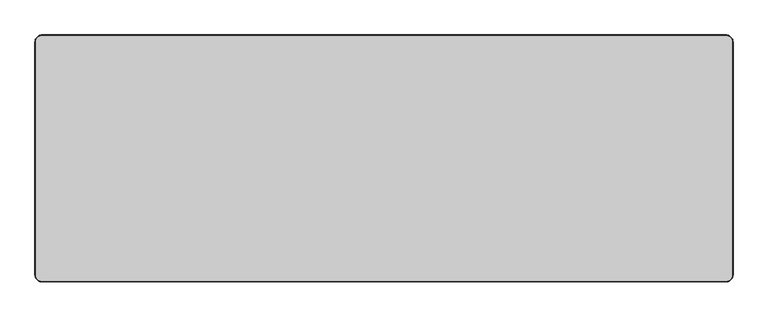
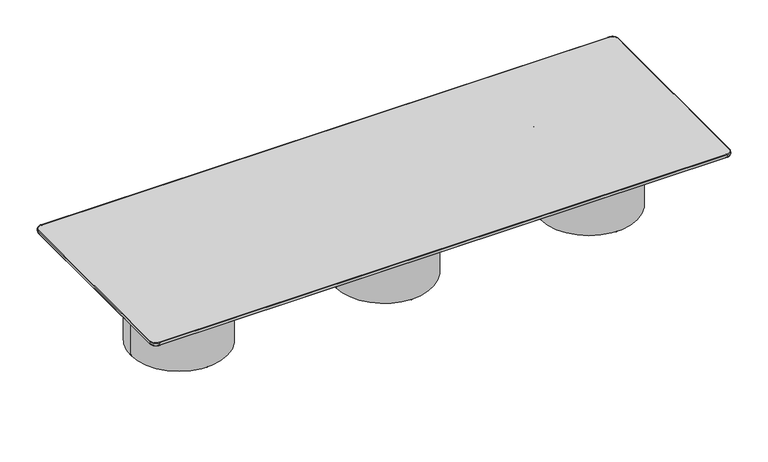
"""IFC4 building model written with IfcOpenShell, lengths in millimetres: furniture geometry."""

from ifc_helpers import new_model, si_unit, point, frame, frame_2d, origin, origin_with_axes, origin_2d, place, context, project, spatial, circle_curve, ellipse_curve, trimmed, segment, composite_curve, outline, extrude, source, transform, mapped, element, save
from ifc_brep_helpers import plane_surface, cylinder_surface, revolved_surface, advanced_brep


def furniture_71ee2c79(model_context):
    return source(origin(), model_context, "Body", "SolidModel", [
        extrude(outline(composite_curve([segment(trimmed(circle_curve(frame_2d((1305.1634542, 0.0)), 6.4), [point((1298.7634542, 0.0))], [point((1311.5634542, 0.0))], False, "CARTESIAN"), True, "CONTINUOUS"), segment(trimmed(circle_curve(frame_2d((1305.1634542, 0.0)), 6.4), [point((1311.5634542, 0.0))], [point((1298.7634542, 0.0))], False, "CARTESIAN"), True, "CONTINUOUS")], self_intersect=False)), origin_with_axes(), (0.0, 0.0, 1.0), 4.8896843),
        extrude(outline(composite_curve([segment(trimmed(circle_curve(frame_2d((1695.1634542, 389.1067566)), 6.4), [point((1701.5634542, 389.1067566))], [point((1688.7634542, 389.1067566))], False, "CARTESIAN"), True, "CONTINUOUS"), segment(trimmed(circle_curve(frame_2d((1695.1634542, 389.1067566)), 6.4), [point((1688.7634542, 389.1067566))], [point((1701.5634542, 389.1067566))], False, "CARTESIAN"), True, "CONTINUOUS")], self_intersect=False)), origin_with_axes(), (0.0, 0.0, 1.0), 4.8896843),
        extrude(outline(composite_curve([segment(trimmed(circle_curve(frame_2d((2083.7987151, 0.0)), 6.4), [point((2090.1987151, 0.0))], [point((2077.3987151, 0.0))], False, "CARTESIAN"), True, "CONTINUOUS"), segment(trimmed(circle_curve(frame_2d((2083.7987151, 0.0)), 6.4), [point((2077.3987151, 0.0))], [point((2090.1987151, 0.0))], False, "CARTESIAN"), True, "CONTINUOUS")], self_intersect=False)), origin_with_axes(), (0.0, 0.0, 1.0), 4.8896843),
        extrude(outline(composite_curve([segment(trimmed(circle_curve(frame_2d((1695.1634542, -389.1067566)), 6.4), [point((1701.5634542, -389.1067566))], [point((1688.7634542, -389.1067566))], False, "CARTESIAN"), True, "CONTINUOUS"), segment(trimmed(circle_curve(frame_2d((1695.1634542, -389.1067566)), 6.4), [point((1688.7634542, -389.1067566))], [point((1701.5634542, -389.1067566))], False, "CARTESIAN"), True, "CONTINUOUS")], self_intersect=False)), origin_with_axes(), (0.0, 0.0, 1.0), 4.8896843),
        extrude(outline(composite_curve([segment(trimmed(circle_curve(frame_2d((-2084.2158079, 0.0)), 6.4), [point((-2090.6158079, 0.0))], [point((-2077.8158079, 0.0))], False, "CARTESIAN"), True, "CONTINUOUS"), segment(trimmed(circle_curve(frame_2d((-2084.2158079, 0.0)), 6.4), [point((-2077.8158079, 0.0))], [point((-2090.6158079, 0.0))], False, "CARTESIAN"), True, "CONTINUOUS")], self_intersect=False)), origin_with_axes(), (0.0, 0.0, 1.0), 4.8896843),
        extrude(outline(composite_curve([segment(trimmed(circle_curve(frame_2d((-1694.2158079, 389.1067566)), 6.4), [point((-1687.8158079, 389.1067566))], [point((-1700.6158079, 389.1067566))], False, "CARTESIAN"), True, "CONTINUOUS"), segment(trimmed(circle_curve(frame_2d((-1694.2158079, 389.1067566)), 6.4), [point((-1700.6158079, 389.1067566))], [point((-1687.8158079, 389.1067566))], False, "CARTESIAN"), True, "CONTINUOUS")], self_intersect=False)), origin_with_axes(), (0.0, 0.0, 1.0), 4.8896843),
        extrude(outline(composite_curve([segment(trimmed(circle_curve(frame_2d((-1305.580547, 0.0)), 6.4), [point((-1299.180547, 0.0))], [point((-1311.980547, 0.0))], False, "CARTESIAN"), True, "CONTINUOUS"), segment(trimmed(circle_curve(frame_2d((-1305.580547, 0.0)), 6.4), [point((-1311.980547, 0.0))], [point((-1299.180547, 0.0))], False, "CARTESIAN"), True, "CONTINUOUS")], self_intersect=False)), origin_with_axes(), (0.0, 0.0, 1.0), 4.8896843),
        extrude(outline(composite_curve([segment(trimmed(circle_curve(frame_2d((-1694.2158079, -389.1067566)), 6.4), [point((-1687.8158079, -389.1067566))], [point((-1700.6158079, -389.1067566))], False, "CARTESIAN"), True, "CONTINUOUS"), segment(trimmed(circle_curve(frame_2d((-1694.2158079, -389.1067566)), 6.4), [point((-1700.6158079, -389.1067566))], [point((-1687.8158079, -389.1067566))], False, "CARTESIAN"), True, "CONTINUOUS")], self_intersect=False)), origin_with_axes(), (0.0, 0.0, 1.0), 4.8896843),
        extrude(outline(composite_curve([segment(trimmed(circle_curve(frame_2d((-389.3176304, 0.0)), 6.4), [point((-395.7176304, 0.0))], [point((-382.9176304, 0.0))], False, "CARTESIAN"), True, "CONTINUOUS"), segment(trimmed(circle_curve(frame_2d((-389.3176304, 0.0)), 6.4), [point((-382.9176304, 0.0))], [point((-395.7176304, 0.0))], False, "CARTESIAN"), True, "CONTINUOUS")], self_intersect=False)), origin_with_axes(), (0.0, 0.0, 1.0), 4.8896843),
        extrude(outline(composite_curve([segment(trimmed(circle_curve(frame_2d((0.6823696, 389.1067566)), 6.4), [point((7.0823696, 389.1067566))], [point((-5.7176304, 389.1067566))], False, "CARTESIAN"), True, "CONTINUOUS"), segment(trimmed(circle_curve(frame_2d((0.6823696, 389.1067566)), 6.4), [point((-5.7176304, 389.1067566))], [point((7.0823696, 389.1067566))], False, "CARTESIAN"), True, "CONTINUOUS")], self_intersect=False)), origin_with_axes(), (0.0, 0.0, 1.0), 4.8896843),
        extrude(outline(composite_curve([segment(trimmed(circle_curve(frame_2d((389.3176304, 0.0)), 6.4), [point((395.7176304, 0.0))], [point((382.9176304, 0.0))], False, "CARTESIAN"), True, "CONTINUOUS"), segment(trimmed(circle_curve(frame_2d((389.3176304, 0.0)), 6.4), [point((382.9176304, 0.0))], [point((395.7176304, 0.0))], False, "CARTESIAN"), True, "CONTINUOUS")], self_intersect=False)), origin_with_axes(), (0.0, 0.0, 1.0), 4.8896843),
        extrude(outline(composite_curve([segment(trimmed(circle_curve(frame_2d((0.6823696, -389.1067566)), 6.4), [point((7.0823696, -389.1067566))], [point((-5.7176304, -389.1067566))], False, "CARTESIAN"), True, "CONTINUOUS"), segment(trimmed(circle_curve(frame_2d((0.6823696, -389.1067566)), 6.4), [point((-5.7176304, -389.1067566))], [point((7.0823696, -389.1067566))], False, "CARTESIAN"), True, "CONTINUOUS")], self_intersect=False)), origin_with_axes(), (0.0, 0.0, 1.0), 4.8896843),
        extrude(outline(composite_curve([segment(trimmed(circle_curve(origin_2d(), 399.0911416), [point((-399.0911416, 0.0))], [point((399.0911416, 0.0))], False, "CARTESIAN"), True, "CONTINUOUS"), segment(trimmed(circle_curve(origin_2d(), 399.0911416), [point((399.0911416, 0.0))], [point((-399.0911416, 0.0))], False, "CARTESIAN"), True, "CONTINUOUS")], self_intersect=False), holes=[composite_curve([segment(trimmed(circle_curve(origin_2d(), 380.0), [point((-380.0, 0.0))], [point((380.0, 0.0))], True, "CARTESIAN"), True, "CONTINUOUS"), segment(trimmed(circle_curve(origin_2d(), 380.0), [point((380.0, 0.0))], [point((-380.0, 0.0))], True, "CARTESIAN"), True, "CONTINUOUS")], self_intersect=False)]), frame((0.0, 0.0, 4.8896843), z_axis=(0.0, 0.0, 1.0), x_axis=(1.0, 0.0, 0.0)), (0.0, 0.0, 1.0), 682.9447883),
        extrude(outline(composite_curve([segment(trimmed(circle_curve(frame_2d((1694.4810847, 0.0)), 399.0911416), [point((1295.3899431, 0.0))], [point((2093.5722262, 0.0))], False, "CARTESIAN"), True, "CONTINUOUS"), segment(trimmed(circle_curve(frame_2d((1694.4810847, 0.0)), 399.0911416), [point((2093.5722262, 0.0))], [point((1295.3899431, 0.0))], False, "CARTESIAN"), True, "CONTINUOUS")], self_intersect=False), holes=[composite_curve([segment(trimmed(circle_curve(frame_2d((1694.4810847, 0.0)), 380.0), [point((1314.4810847, 0.0))], [point((2074.4810847, 0.0))], True, "CARTESIAN"), True, "CONTINUOUS"), segment(trimmed(circle_curve(frame_2d((1694.4810847, 0.0)), 380.0), [point((2074.4810847, 0.0))], [point((1314.4810847, 0.0))], True, "CARTESIAN"), True, "CONTINUOUS")], self_intersect=False)]), frame((0.0, 0.0, 4.8896843), z_axis=(0.0, 0.0, 1.0), x_axis=(1.0, 0.0, 0.0)), (0.0, 0.0, 1.0), 682.9447883),
        extrude(outline(composite_curve([segment(trimmed(circle_curve(frame_2d((-1694.8981774, 0.0)), 399.0911416), [point((-2093.989319, 0.0))], [point((-1295.8070359, 0.0))], False, "CARTESIAN"), True, "CONTINUOUS"), segment(trimmed(circle_curve(frame_2d((-1694.8981774, 0.0)), 399.0911416), [point((-1295.8070359, 0.0))], [point((-2093.989319, 0.0))], False, "CARTESIAN"), True, "CONTINUOUS")], self_intersect=False), holes=[composite_curve([segment(trimmed(circle_curve(frame_2d((-1694.8981774, 0.0)), 380.0), [point((-2074.8981774, 0.0))], [point((-1314.8981774, 0.0))], True, "CARTESIAN"), True, "CONTINUOUS"), segment(trimmed(circle_curve(frame_2d((-1694.8981774, 0.0)), 380.0), [point((-1314.8981774, 0.0))], [point((-2074.8981774, 0.0))], True, "CARTESIAN"), True, "CONTINUOUS")], self_intersect=False)]), frame((0.0, 0.0, 4.8896843), z_axis=(0.0, 0.0, 1.0), x_axis=(1.0, 0.0, 0.0)), (0.0, 0.0, 1.0), 682.9447883),
        advanced_brep(
        [(-2346.6238792, 846.0174596, 719.875), (-2394.6238792, 798.0174596, 719.875), (-2394.6238792, -798.0178454, 719.875), (-2346.6238792, -846.0178454, 719.875), (2346.6240469, -846.0178454, 719.875), (2394.6237214, -798.0181709, 719.875), (2394.6237214, 798.0174596, 719.875), (2346.6237214, 846.0174596, 719.875), (2346.6237214, 846.0174596, 695.5), (2394.6237214, 798.0174596, 695.5), (2394.6237214, -798.0181709, 695.5), (2346.6240469, -846.0178454, 695.5), (-2346.6238792, -846.0178454, 695.5), (-2394.6238792, -798.0178454, 695.5), (-2394.6238792, 798.0174596, 695.5), (-2346.6238792, 846.0174596, 695.5), (-2346.6238792, 848.0174596, 717.875), (2346.6237214, 848.0174596, 717.875), (2346.6237214, 848.0174596, 697.4999984), (-2346.6238792, 848.0174596, 697.5), (-2396.6238792, 798.0174596, 717.875), (-2396.6238792, 798.0174596, 697.5), (-2396.6238792, -798.0178454, 717.875), (-2396.6238792, -798.0178454, 697.5), (-2346.6238792, -848.0178454, 717.875), (-2346.6238792, -848.0178454, 697.5), (2346.6240469, -848.0178454, 717.875), (2346.6240469, -848.0178454, 697.5), (2396.6237214, -798.0181709, 717.875), (2396.6237214, -798.0181709, 697.5), (2396.6237214, 798.0174596, 717.875), (2396.6237214, 798.0174596, 697.5)],
        [
            (0, 1, circle_curve(frame((-2346.6238792, 798.0174596, 719.875), z_axis=(0.0, 0.0, 1.0), x_axis=(0.0, 1.0, 0.0)), 48.0)),
            (1, 2),
            (2, 3, circle_curve(frame((-2346.6238792, -798.0178454, 719.875), z_axis=(0.0, 0.0, 1.0), x_axis=(-1.0, 0.0, 0.0)), 48.0)),
            (3, 4),
            (4, 5, circle_curve(frame((2346.6240469, -798.0181709, 719.875), z_axis=(0.0, 0.0, 1.0), x_axis=(0.0, -1.0, 0.0)), 47.9996745)),
            (5, 6),
            (6, 7, circle_curve(frame((2346.6237214, 798.0174596, 719.875), z_axis=(0.0, 0.0, 1.0), x_axis=(1.0, 0.0, 0.0)), 48.0)),
            (7, 0),
            (8, 9, circle_curve(frame((2346.6237214, 798.0174596, 695.5), z_axis=(0.0, 0.0, -1.0), x_axis=(0.0, 1.0, 0.0)), 48.0)),
            (9, 10),
            (10, 11, circle_curve(frame((2346.6240469, -798.0181709, 695.5), z_axis=(0.0, 0.0, -1.0), x_axis=(1.0, 0.0, 0.0)), 47.9996745)),
            (11, 12),
            (12, 13, circle_curve(frame((-2346.6238792, -798.0178454, 695.5), z_axis=(0.0, 0.0, -1.0), x_axis=(0.0, -1.0, 0.0)), 48.0)),
            (13, 14),
            (14, 15, circle_curve(frame((-2346.6238792, 798.0174596, 695.5), z_axis=(0.0, 0.0, -1.0), x_axis=(-1.0, 0.0, 0.0)), 48.0)),
            (15, 8),
            (16, 17),
            (17, 18),
            (18, 19),
            (19, 16),
            (20, 16, circle_curve(frame((-2346.6238792, 798.0174596, 717.875), z_axis=(0.0, 0.0, -1.0), x_axis=(1.0, 0.0, 0.0)), 50.0)),
            (19, 21, circle_curve(frame((-2346.6238792, 798.0174596, 697.5), z_axis=(0.0, 0.0, 1.0), x_axis=(1.0, 0.0, 0.0)), 50.0)),
            (21, 20),
            (22, 20),
            (21, 23),
            (23, 22),
            (24, 22, circle_curve(frame((-2346.6238792, -798.0178454, 717.875), z_axis=(0.0, 0.0, -1.0), x_axis=(1.0, 0.0, 0.0)), 50.0)),
            (23, 25, circle_curve(frame((-2346.6238792, -798.0178454, 697.5), z_axis=(0.0, 0.0, 1.0), x_axis=(1.0, 0.0, 0.0)), 50.0)),
            (25, 24),
            (26, 24),
            (25, 27),
            (27, 26),
            (28, 26, circle_curve(frame((2346.6240469, -798.0181709, 717.875), z_axis=(0.0, 0.0, -1.0), x_axis=(1.0, 0.0, 0.0)), 49.9996745)),
            (27, 29, circle_curve(frame((2346.6240469, -798.0181709, 697.5), z_axis=(0.0, 0.0, 1.0), x_axis=(1.0, 0.0, 0.0)), 49.9996745)),
            (29, 28),
            (30, 28),
            (29, 31),
            (31, 30),
            (17, 30, circle_curve(frame((2346.6237214, 798.0174596, 717.875), z_axis=(0.0, 0.0, -1.0), x_axis=(1.0, 0.0, 0.0)), 50.0)),
            (31, 18, circle_curve(frame((2346.6237214, 798.0174596, 697.5), z_axis=(0.0, 0.0, 1.0), x_axis=(1.0, 0.0, 0.0)), 50.0)),
            (20, 1, circle_curve(frame((-2394.6238792, 798.0174596, 717.875), z_axis=(0.0, 1.0, 0.0), x_axis=(1.0, 0.0, 0.0)), 2.0)),
            (0, 16, circle_curve(frame((-2346.6238792, 846.0174596, 717.875), z_axis=(-1.0, 0.0, 0.0), x_axis=(0.0, -1.0, 0.0)), 2.0)),
            (22, 2, circle_curve(frame((-2394.6238792, -798.0178454, 717.875), z_axis=(0.0, 1.0, 0.0), x_axis=(1.0, 0.0, 0.0)), 2.0)),
            (24, 3, circle_curve(frame((-2346.6238792, -846.0178454, 717.875), z_axis=(-1.0, 0.0, 0.0), x_axis=(0.0, 1.0, 0.0)), 2.0)),
            (26, 4, circle_curve(frame((2346.6240469, -846.0178454, 717.875), z_axis=(-1.0, 0.0, 0.0), x_axis=(0.0, 1.0, 0.0)), 2.0)),
            (28, 5, circle_curve(frame((2394.6237214, -798.0181709, 717.875), z_axis=(0.0, -1.0, 0.0), x_axis=(-1.0, 0.0, 0.0)), 2.0)),
            (30, 6, circle_curve(frame((2394.6237214, 798.0174596, 717.875), z_axis=(0.0, -1.0, 0.0), x_axis=(-1.0, 0.0, 0.0)), 2.0)),
            (17, 7, circle_curve(frame((2346.6237214, 846.0174596, 717.875), z_axis=(1.0, 0.0, 0.0), x_axis=(0.0, -1.0, 0.0)), 2.0)),
            (31, 9, circle_curve(frame((2394.6237214, 798.0174596, 697.5), z_axis=(0.0, 1.0, 0.0), x_axis=(-1.0, 0.0, 0.0)), 2.0)),
            (8, 18, circle_curve(frame((2346.6237214, 846.0174596, 697.5), z_axis=(1.0, 0.0, 0.0), x_axis=(0.0, -1.0, 0.0)), 2.0)),
            (29, 10, circle_curve(frame((2394.6237214, -798.0181709, 697.5), z_axis=(0.0, 1.0, 0.0), x_axis=(-1.0, 0.0, 0.0)), 2.0)),
            (27, 11, circle_curve(frame((2346.6240469, -846.0178454, 697.5), z_axis=(1.0, 0.0, 0.0), x_axis=(0.0, 1.0, 0.0)), 2.0)),
            (25, 12, circle_curve(frame((-2346.6238792, -846.0178454, 697.5), z_axis=(1.0, 0.0, 0.0), x_axis=(0.0, 1.0, 0.0)), 2.0)),
            (23, 13, circle_curve(frame((-2394.6238792, -798.0178454, 697.5), z_axis=(0.0, -1.0, 0.0), x_axis=(1.0, 0.0, 0.0)), 2.0)),
            (21, 14, circle_curve(frame((-2394.6238792, 798.0174596, 697.5), z_axis=(0.0, -1.0, 0.0), x_axis=(1.0, 0.0, 0.0)), 2.0)),
            (19, 15, circle_curve(frame((-2346.6238792, 846.0174596, 697.5), z_axis=(-1.0, 0.0, 0.0), x_axis=(0.0, -1.0, 0.0)), 2.0)),
        ],
        [
            plane_surface(frame((-2346.6238792, 848.0174596, 719.875), z_axis=(0.0, 0.0, 1.0), x_axis=(-1.0, 0.0, 0.0))),
            plane_surface(frame((-2346.6238792, 848.0174596, 695.5), z_axis=(0.0, 0.0, -1.0), x_axis=(1.0, 0.0, 0.0))),
            plane_surface(frame((2346.6237214, 848.0174596, 719.875), z_axis=(0.0, 1.0, 0.0), x_axis=(0.0, 0.0, -1.0))),
            cylinder_surface(frame((-2346.6238792, 798.0174596, 695.5), z_axis=(0.0, 0.0, 1.0), x_axis=(1.0, 0.0, 0.0)), 50.0),
            plane_surface(frame((-2396.6238792, 798.0174596, 719.875), z_axis=(-1.0, 0.0, 0.0), x_axis=(0.0, 0.0, -1.0))),
            cylinder_surface(frame((-2346.6238792, -798.0178454, 695.5), z_axis=(0.0, 0.0, 1.0), x_axis=(1.0, 0.0, 0.0)), 50.0),
            plane_surface(frame((-2346.6238792, -848.0178454, 719.875), z_axis=(0.0, -1.0, 0.0), x_axis=(0.0, 0.0, -1.0))),
            cylinder_surface(frame((2346.6240469, -798.0181709, 695.5), z_axis=(0.0, 0.0, 1.0), x_axis=(1.0, 0.0, 0.0)), 49.9996745),
            plane_surface(frame((2396.6237214, -798.0181709, 719.875), z_axis=(1.0, 0.0, 0.0), x_axis=(0.0, 0.0, -1.0))),
            cylinder_surface(frame((2346.6237214, 798.0174596, 695.5), z_axis=(0.0, 0.0, 1.0), x_axis=(1.0, 0.0, 0.0)), 50.0),
            revolved_surface(trimmed(ellipse_curve(frame((-2346.6238792, 846.0174596, 717.875), z_axis=(1.0, 0.0, 0.0), x_axis=(0.0, -1.0, 0.0)), 2.0, 2.0), [point((-2346.6238792, 848.0174596, 717.875))], [point((-2346.6238792, 846.0174596, 719.875))], True, "CARTESIAN"), (-2346.6238792, 798.0174596, 719.875), (0.0, 0.0, 1.0)),
            cylinder_surface(frame((-2394.6238792, 798.0174596, 717.875), z_axis=(0.0, -1.0, 0.0), x_axis=(1.0, 0.0, 0.0)), 2.0),
            revolved_surface(trimmed(ellipse_curve(frame((-2394.6238792, -798.0178454, 717.875), z_axis=(0.0, 1.0, 0.0), x_axis=(1.0, 0.0, 0.0)), 2.0, 2.0), [point((-2396.6238792, -798.0178454, 717.875))], [point((-2394.6238792, -798.0178454, 719.875))], True, "CARTESIAN"), (-2346.6238792, -798.0178454, 719.875), (0.0, 0.0, 1.0)),
            cylinder_surface(frame((-2346.6238792, -846.0178454, 717.875), z_axis=(1.0, 0.0, 0.0), x_axis=(0.0, 1.0, 0.0)), 2.0),
            revolved_surface(trimmed(ellipse_curve(frame((2346.6240469, -846.0178454, 717.875), z_axis=(-1.0, 0.0, 0.0), x_axis=(0.0, 1.0, 0.0)), 2.0, 2.0), [point((2346.6240469, -848.0178454, 717.875))], [point((2346.6240469, -846.0178454, 719.875))], True, "CARTESIAN"), (2346.6240469, -798.0181709, 719.875), (0.0, 0.0, 1.0)),
            cylinder_surface(frame((2394.6237214, -798.0181709, 717.875), z_axis=(0.0, 1.0, 0.0), x_axis=(-1.0, 0.0, 0.0)), 2.0),
            revolved_surface(trimmed(ellipse_curve(frame((2394.6237214, 798.0174596, 717.875), z_axis=(0.0, -1.0, 0.0), x_axis=(-1.0, 0.0, 0.0)), 2.0, 2.0), [point((2396.6237214, 798.0174596, 717.875))], [point((2394.6237214, 798.0174596, 719.875))], True, "CARTESIAN"), (2346.6237214, 798.0174596, 719.875), (0.0, 0.0, 1.0)),
            cylinder_surface(frame((2346.6237214, 846.0174596, 717.875), z_axis=(-1.0, 0.0, 0.0), x_axis=(0.0, -1.0, 0.0)), 2.0),
            revolved_surface(trimmed(ellipse_curve(frame((2346.6237214, 846.0174596, 697.5), z_axis=(-1.0, 0.0, 0.0), x_axis=(0.0, -1.0, 0.0)), 2.0, 2.0), [point((2346.6237214, 848.0174596, 697.5))], [point((2346.6237214, 846.0174596, 695.5))], True, "CARTESIAN"), (2346.6237214, 798.0174596, 695.5), (0.0, 0.0, -1.0)),
            cylinder_surface(frame((2394.6237214, 798.0174596, 697.5), z_axis=(0.0, -1.0, 0.0), x_axis=(-1.0, 0.0, 0.0)), 2.0),
            revolved_surface(trimmed(ellipse_curve(frame((2394.6237214, -798.0181709, 697.5), z_axis=(0.0, 1.0, 0.0), x_axis=(-1.0, 0.0, 0.0)), 2.0, 2.0), [point((2396.6237214, -798.0181709, 697.5))], [point((2394.6237214, -798.0181709, 695.5))], True, "CARTESIAN"), (2346.6240469, -798.0181709, 695.5), (0.0, 0.0, -1.0)),
            cylinder_surface(frame((2346.6240469, -846.0178454, 697.5), z_axis=(-1.0, 0.0, 0.0), x_axis=(0.0, 1.0, 0.0)), 2.0),
            revolved_surface(trimmed(ellipse_curve(frame((-2346.6238792, -846.0178454, 697.5), z_axis=(1.0, 0.0, 0.0), x_axis=(0.0, 1.0, 0.0)), 2.0, 2.0), [point((-2346.6238792, -848.0178454, 697.5))], [point((-2346.6238792, -846.0178454, 695.5))], True, "CARTESIAN"), (-2346.6238792, -798.0178454, 695.5), (0.0, 0.0, -1.0)),
            cylinder_surface(frame((-2394.6238792, -798.0178454, 697.5), z_axis=(0.0, 1.0, 0.0), x_axis=(1.0, 0.0, 0.0)), 2.0),
            revolved_surface(trimmed(ellipse_curve(frame((-2394.6238792, 798.0174596, 697.5), z_axis=(0.0, -1.0, 0.0), x_axis=(1.0, 0.0, 0.0)), 2.0, 2.0), [point((-2396.6238792, 798.0174596, 697.5))], [point((-2394.6238792, 798.0174596, 695.5))], True, "CARTESIAN"), (-2346.6238792, 798.0174596, 695.5), (0.0, 0.0, -1.0)),
            cylinder_surface(frame((-2346.6238792, 846.0174596, 697.5), z_axis=(1.0, 0.0, 0.0), x_axis=(0.0, -1.0, 0.0)), 2.0),
        ],
        [
            (0, [[1, 2, 3, 4, 5, 6, 7, 8]]),
            (1, [[9, 10, 11, 12, 13, 14, 15, 16]]),
            (2, [[17, 18, 19, 20]]),
            (3, [[21, -20, 22, 23]]),
            (4, [[24, -23, 25, 26]]),
            (5, [[27, -26, 28, 29]]),
            (6, [[30, -29, 31, 32]]),
            (7, [[33, -32, 34, 35]]),
            (8, [[36, -35, 37, 38]]),
            (9, [[39, -38, 40, -18]]),
            (10, [[41, -1, 42, -21]]),
            (11, [[-41, -24, 43, -2]]),
            (12, [[-43, -27, 44, -3]]),
            (13, [[-44, -30, 45, -4]]),
            (14, [[-45, -33, 46, -5]]),
            (15, [[-46, -36, 47, -6]]),
            (16, [[-47, -39, 48, -7]]),
            (17, [[-42, -8, -48, -17]]),
            (18, [[49, -9, 50, -40]]),
            (19, [[-49, -37, 51, -10]]),
            (20, [[-51, -34, 52, -11]]),
            (21, [[-52, -31, 53, -12]]),
            (22, [[-53, -28, 54, -13]]),
            (23, [[-54, -25, 55, -14]]),
            (24, [[-55, -22, 56, -15]]),
            (25, [[-50, -16, -56, -19]]),
        ],
    ),
    ])


if __name__ == "__main__":
    model = new_model("IFC4")
    model_context = context("Model", 3, world=origin())
    ifc_project = project(units=[si_unit("LENGTHUNIT", "METRE", prefix="MILLI")], contexts=[model_context])
    site = spatial("IfcSite", under=ifc_project)
    building = spatial("IfcBuilding", under=site)
    placement = place(None, origin())
    furniture_shape = furniture_71ee2c79(model_context)
    element("IfcFurniture", 1, at=placement, inside=building, context=model_context, shape_type="MappedRepresentation", body=[
        mapped(furniture_shape, transform((0.0, 0.0, 0.0), x_axis=(1.0, 0.0, 0.0), y_axis=(0.0, 1.0, 0.0), z_axis=(0.0, 0.0, 1.0))),
    ])
    save(model, "model.ifc")
